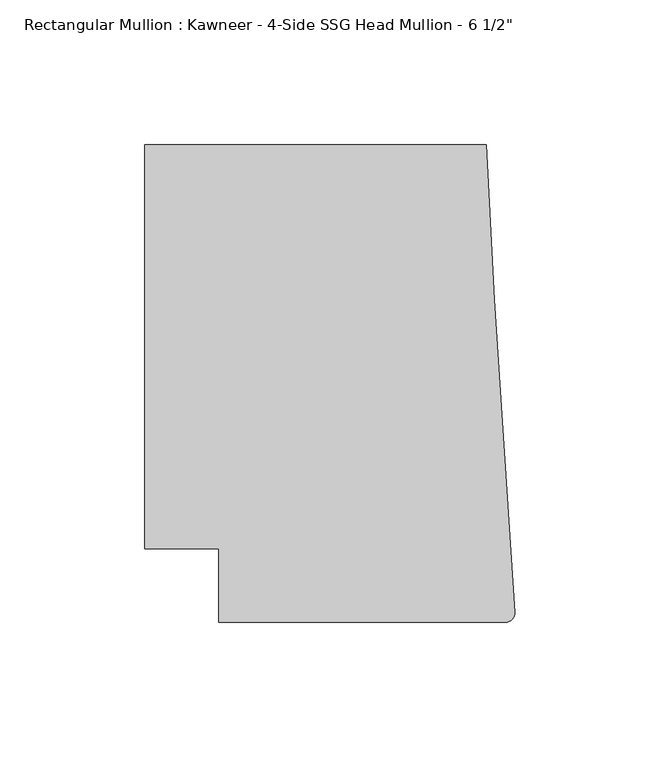
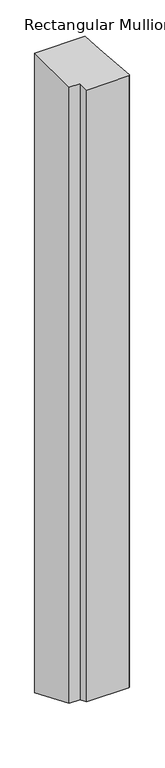
"""IFC4 building model written with IfcOpenShell, lengths in millimetres: member geometry."""

from ifc_helpers import new_model, si_unit, frame, origin, place, context, project, spatial, circle_curve, ellipse_curve, source, transform, mapped, element, save
from ifc_brep_helpers import plane_surface, cylinder_surface, advanced_brep


def member_3e928e0c(model_context):
    return source(origin(), model_context, "Body", "AdvancedBrep", [
        advanced_brep(
        [(-102.08978, -12.7, 0.0), (-3.175, -12.7, 0.0), (-0.006635, -9.3198462, 0.0), (-6.9873394, 98.4891117, 0.0), (-9.7860662, 151.892, 0.0), (-127.4896668, 151.892, 0.0), (-127.4896668, 12.7, 0.0), (-102.08978, 12.7, 0.0), (-102.08978, -12.7, -1504.9098504), (-3.175, -12.7, -1504.9098504), (-0.006635, -9.3198462, -1506.3099559), (-6.9873394, 98.4891117, -1550.9658885), (-9.7860662, 151.892, -1573.0860891), (-127.4896668, 151.892, -1573.0860891), (-127.4896668, 12.7, -1515.4308749), (-102.08978, 12.7, -1515.4308749)],
        [
            (0, 1),
            (1, 2, circle_curve(frame((-3.175, -9.525, 0.0), z_axis=(0.0, 0.0, 1.0), x_axis=(0.0, -1.0, 0.0)), 3.175)),
            (2, 3),
            (3, 4),
            (4, 5),
            (5, 6),
            (6, 7),
            (7, 0),
            (0, 8),
            (8, 9),
            (9, 1),
            (9, 10, ellipse_curve(frame((-3.175, -9.525, -1506.2249785), z_axis=(0.0, 0.3826834323650879, 0.9238795325112875), x_axis=(0.0, -0.9238795325112875, 0.3826834323650879)), 3.4365952, 3.175)),
            (10, 2),
            (10, 11),
            (11, 3),
            (11, 12),
            (12, 4),
            (12, 13),
            (13, 5),
            (13, 14),
            (14, 6),
            (14, 15),
            (15, 7),
            (15, 8),
        ],
        [
            plane_surface(frame((0.0, -198.3048028, 0.0), z_axis=(0.0, 0.0, 1.0), x_axis=(-1.0, 0.0, 0.0))),
            plane_surface(frame((-102.08978, -12.7, 0.0), z_axis=(0.0, -1.0, 0.0), x_axis=(0.0, 0.0, -1.0))),
            cylinder_surface(frame((-3.175, -9.525, 0.0), z_axis=(0.0, 0.0, 1.0), x_axis=(0.0, -1.0, 0.0)), 3.175),
            plane_surface(frame((-0.006635, -9.3198462, 0.0), z_axis=(0.9979102429769694, 0.06461537712995265, 0.0), x_axis=(0.0, 0.0, -1.0))),
            plane_surface(frame((-6.9873394, 98.4891117, 0.0), z_axis=(0.9986295347545738, 0.05233595624294541, 0.0), x_axis=(0.0, 0.0, -1.0))),
            plane_surface(frame((-9.7860662, 151.892, 0.0), z_axis=(0.0, 1.0, 0.0), x_axis=(0.0, 0.0, -1.0))),
            plane_surface(frame((-127.4896668, 151.892, 0.0), z_axis=(-1.0, 0.0, 0.0), x_axis=(0.0, 0.0, -1.0))),
            plane_surface(frame((-127.4896668, 12.7, 0.0), z_axis=(0.0, -1.0, 0.0), x_axis=(0.0, 0.0, -1.0))),
            plane_surface(frame((-102.08978, 12.7, 0.0), z_axis=(-1.0, 0.0, 0.0), x_axis=(0.0, 0.0, -1.0))),
            plane_surface(frame((304.8, 0.0, -1510.1703626), z_axis=(0.0, -0.3826834323650879, -0.9238795325112875), x_axis=(0.0, -0.9238795325112875, 0.3826834323650879))),
        ],
        [
            (0, [[1, 2, 3, 4, 5, 6, 7, 8]]),
            (1, [[-1, 9, 10, 11]]),
            (2, [[-2, -11, 12, 13]]),
            (3, [[-3, -13, 14, 15]]),
            (4, [[-4, -15, 16, 17]]),
            (5, [[-5, -17, 18, 19]]),
            (6, [[-6, -19, 20, 21]]),
            (7, [[-7, -21, 22, 23]]),
            (8, [[-8, -23, 24, -9]]),
            (9, [[-24, -22, -20, -18, -16, -14, -12, -10]]),
        ],
    ),
    ])


if __name__ == "__main__":
    model = new_model("IFC4")
    model_context = context("Model", 3, world=origin())
    ifc_project = project(units=[si_unit("LENGTHUNIT", "METRE", prefix="MILLI")], contexts=[model_context])
    site = spatial("IfcSite", under=ifc_project)
    building = spatial("IfcBuilding", under=site)
    placement = place(None, origin())
    member_shape = member_3e928e0c(model_context)
    element("IfcMember", 1, ObjectType="Rectangular Mullion : Kawneer - 4-Side SSG Head Mullion - 6 1/2\"", at=placement, inside=building, context=model_context, shape_type="MappedRepresentation", body=[
        mapped(member_shape, transform((0.0, 0.0, 0.0), x_axis=(1.0, 0.0, 0.0), y_axis=(0.0, 1.0, 0.0), z_axis=(0.0, 0.0, 1.0))),
    ])
    save(model, "model.ifc")
